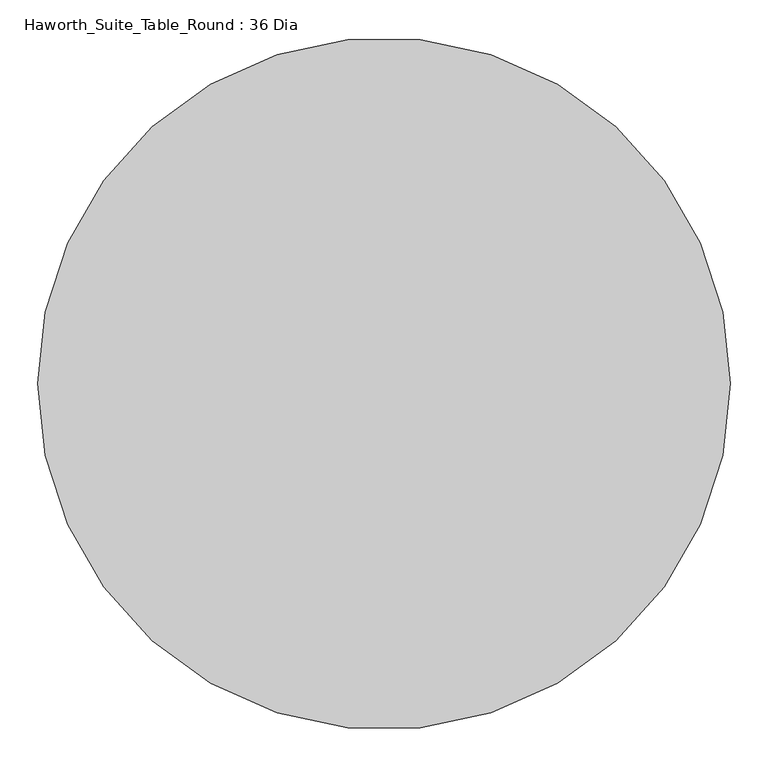
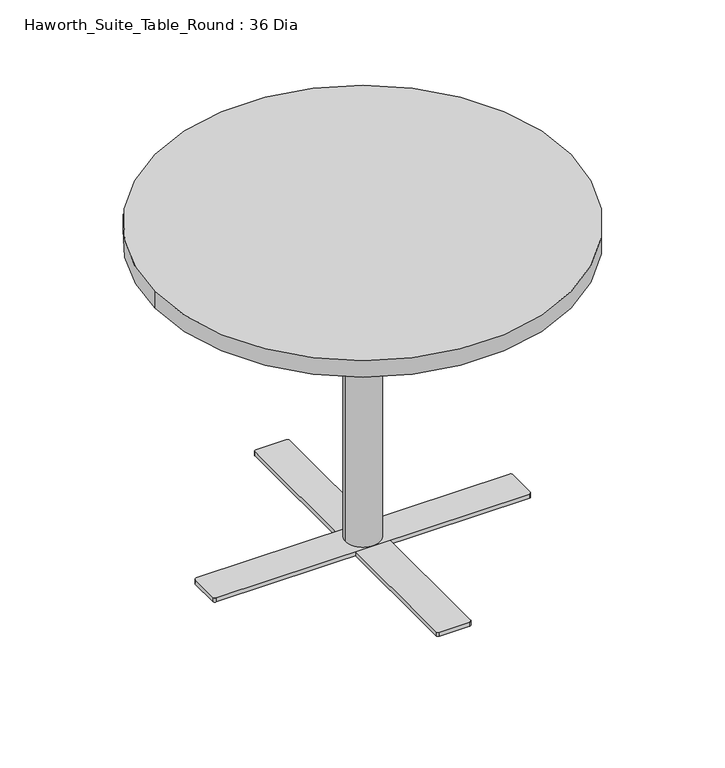
"""IFC4 building model written with IfcOpenShell, lengths in millimetres: furniture geometry, Haworth_Suite_Table_Round : 36 Dia."""

from ifc_helpers import new_model, si_unit, point, frame, frame_2d, origin, origin_with_axes, place, context, project, spatial, polyline, circle_curve, trimmed, segment, composite_curve, outline, extrude, source, transform, mapped, element, save


def haworth_suite_table_round_36_dia_9b0778c6(model_context):
    return source(origin(), model_context, "Body", "SweptSolid", [
        extrude(outline(composite_curve([segment(trimmed(circle_curve(frame_2d((-311.15, -622.3)), 12.7), [point((-311.15, -609.6))], [point((-311.15, -635.0))], False, "CARTESIAN"), True, "CONTINUOUS"), segment(trimmed(circle_curve(frame_2d((-311.15, -622.3)), 12.7), [point((-311.15, -635.0))], [point((-311.15, -609.6))], False, "CARTESIAN"), True, "CONTINUOUS")], self_intersect=False)), origin_with_axes(), (0.0, 0.0, 1.0), 3.175),
        extrude(outline(composite_curve([segment(trimmed(circle_curve(frame_2d((285.75, -622.3)), 12.7), [point((285.75, -609.6))], [point((285.75, -635.0))], False, "CARTESIAN"), True, "CONTINUOUS"), segment(trimmed(circle_curve(frame_2d((285.75, -622.3)), 12.7), [point((285.75, -635.0))], [point((285.75, -609.6))], False, "CARTESIAN"), True, "CONTINUOUS")], self_intersect=False)), origin_with_axes(), (0.0, 0.0, 1.0), 3.175),
        extrude(outline(polyline([(-342.9, -647.7), (-342.9, -596.9), (317.5, -596.9), (317.5, -647.7), (-342.9, -647.7)])), frame((0.0, 0.0, 3.175), z_axis=(0.0, 0.0, 1.0), x_axis=(1.0, 0.0, 0.0)), (0.0, 0.0, 1.0), 9.525),
        extrude(outline(composite_curve([segment(trimmed(circle_curve(frame_2d((331.7875, -655.6375)), 4.7625), [point((336.55, -655.6375))], [point((331.7875, -660.4))], False, "CARTESIAN"), True, "CONTINUOUS"), segment(polyline([(331.7875, -660.4), (-357.1875, -660.4)]), True, "CONTINUOUS"), segment(trimmed(circle_curve(frame_2d((-357.1875, -655.6375)), 4.7625), [point((-357.1875, -660.4))], [point((-361.95, -655.6375))], False, "CARTESIAN"), True, "CONTINUOUS"), segment(polyline([(-361.95, -655.6375), (-361.95, -588.9625)]), True, "CONTINUOUS"), segment(trimmed(circle_curve(frame_2d((-357.1875, -588.9625)), 4.7625), [point((-361.95, -588.9625))], [point((-357.1875, -584.2))], False, "CARTESIAN"), True, "CONTINUOUS"), segment(polyline([(-357.1875, -584.2), (331.7875, -584.2)]), True, "CONTINUOUS"), segment(trimmed(circle_curve(frame_2d((331.7875, -588.9625)), 4.7625), [point((331.7875, -584.2))], [point((336.55, -588.9625))], False, "CARTESIAN"), True, "CONTINUOUS"), segment(polyline([(336.55, -588.9625), (336.55, -655.6375)]), True, "CONTINUOUS")], self_intersect=False)), frame((0.0, 0.0, 12.7), z_axis=(0.0, 0.0, 1.0), x_axis=(1.0, 0.0, 0.0)), (0.0, 0.0, 1.0), 9.525),
        extrude(outline(composite_curve([segment(trimmed(circle_curve(frame_2d((-12.7, -622.3)), 38.1), [point((-50.8, -622.3))], [point((25.4, -622.3))], False, "CARTESIAN"), True, "CONTINUOUS"), segment(trimmed(circle_curve(frame_2d((-12.7, -622.3)), 38.1), [point((25.4, -622.3))], [point((-50.8, -622.3))], False, "CARTESIAN"), True, "CONTINUOUS")], self_intersect=False)), frame((0.0, 0.0, 22.225), z_axis=(0.0, 0.0, 1.0), x_axis=(1.0, 0.0, 0.0)), (0.0, 0.0, 1.0), 688.975),
        extrude(outline(composite_curve([segment(trimmed(circle_curve(frame_2d((-12.7, -920.75)), 12.7), [point((-25.4, -920.75))], [point((0.0, -920.75))], False, "CARTESIAN"), True, "CONTINUOUS"), segment(trimmed(circle_curve(frame_2d((-12.7, -920.75)), 12.7), [point((0.0, -920.75))], [point((-25.4, -920.75))], False, "CARTESIAN"), True, "CONTINUOUS")], self_intersect=False)), origin_with_axes(), (0.0, 0.0, 1.0), 3.175),
        extrude(outline(composite_curve([segment(trimmed(circle_curve(frame_2d((-12.7, -323.85)), 12.7), [point((-25.4, -323.85))], [point((0.0, -323.85))], False, "CARTESIAN"), True, "CONTINUOUS"), segment(trimmed(circle_curve(frame_2d((-12.7, -323.85)), 12.7), [point((0.0, -323.85))], [point((-25.4, -323.85))], False, "CARTESIAN"), True, "CONTINUOUS")], self_intersect=False)), origin_with_axes(), (0.0, 0.0, 1.0), 3.175),
        extrude(outline(polyline([(12.7, -952.5), (-38.1, -952.5), (-38.1, -292.1), (12.7, -292.1), (12.7, -952.5)])), frame((0.0, 0.0, 3.175), z_axis=(0.0, 0.0, 1.0), x_axis=(1.0, 0.0, 0.0)), (0.0, 0.0, 1.0), 9.525),
        extrude(outline(composite_curve([segment(trimmed(circle_curve(frame_2d((20.6375, -277.8125)), 4.7625), [point((20.6375, -273.05))], [point((25.4, -277.8125))], False, "CARTESIAN"), True, "CONTINUOUS"), segment(polyline([(25.4, -277.8125), (25.4, -966.7875)]), True, "CONTINUOUS"), segment(trimmed(circle_curve(frame_2d((20.6375, -966.7875)), 4.7625), [point((25.4, -966.7875))], [point((20.6375, -971.55))], False, "CARTESIAN"), True, "CONTINUOUS"), segment(polyline([(20.6375, -971.55), (-46.0375, -971.55)]), True, "CONTINUOUS"), segment(trimmed(circle_curve(frame_2d((-46.0375, -966.7875)), 4.7625), [point((-46.0375, -971.55))], [point((-50.8, -966.7875))], False, "CARTESIAN"), True, "CONTINUOUS"), segment(polyline([(-50.8, -966.7875), (-50.8, -277.8125)]), True, "CONTINUOUS"), segment(trimmed(circle_curve(frame_2d((-46.0375, -277.8125)), 4.7625), [point((-50.8, -277.8125))], [point((-46.0375, -273.05))], False, "CARTESIAN"), True, "CONTINUOUS"), segment(polyline([(-46.0375, -273.05), (20.6375, -273.05)]), True, "CONTINUOUS")], self_intersect=False)), frame((0.0, 0.0, 12.7), z_axis=(0.0, 0.0, 1.0), x_axis=(1.0, 0.0, 0.0)), (0.0, 0.0, 1.0), 9.525),
        extrude(outline(composite_curve([segment(trimmed(circle_curve(frame_2d((-12.7, -622.3)), 457.2), [point((-469.9, -622.3))], [point((444.5, -622.3))], False, "CARTESIAN"), True, "CONTINUOUS"), segment(trimmed(circle_curve(frame_2d((-12.7, -622.3)), 457.2), [point((444.5, -622.3))], [point((-469.9, -622.3))], False, "CARTESIAN"), True, "CONTINUOUS")], self_intersect=False)), frame((0.0, 0.0, 711.2), z_axis=(0.0, 0.0, 1.0), x_axis=(1.0, 0.0, 0.0)), (0.0, 0.0, 1.0), 38.1),
    ])


if __name__ == "__main__":
    model = new_model("IFC4")
    model_context = context("Model", 3, world=origin())
    ifc_project = project(units=[si_unit("LENGTHUNIT", "METRE", prefix="MILLI")], contexts=[model_context])
    site = spatial("IfcSite", under=ifc_project)
    building = spatial("IfcBuilding", under=site)
    placement = place(None, origin())
    haworth_suite_table_round_36_dia_shape = haworth_suite_table_round_36_dia_9b0778c6(model_context)
    element("IfcFurniture", 1, ObjectType="Haworth_Suite_Table_Round : 36 Dia", at=placement, inside=building, context=model_context, shape_type="MappedRepresentation", body=[
        mapped(haworth_suite_table_round_36_dia_shape, transform((0.0, 0.0, 0.0), x_axis=(1.0, 0.0, 0.0), y_axis=(0.0, 1.0, 0.0), z_axis=(0.0, 0.0, 1.0))),
    ])
    save(model, "model.ifc")
